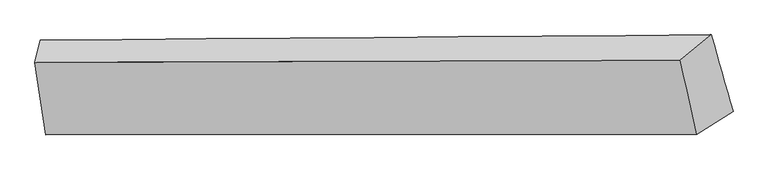
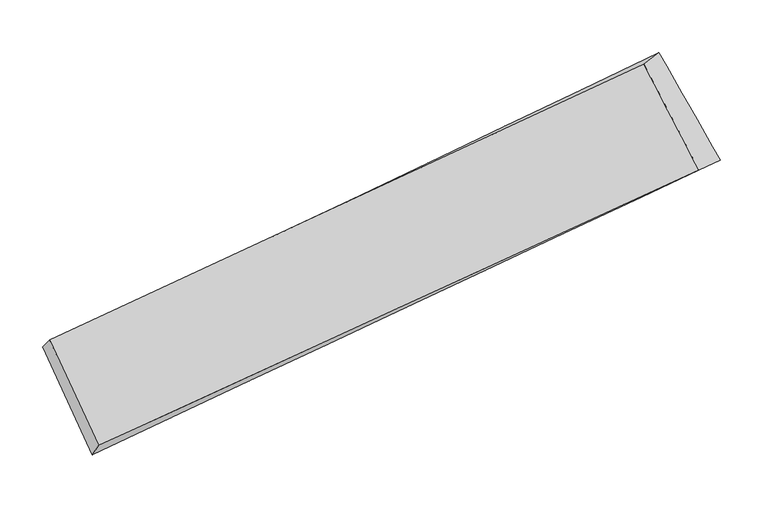
"""IFC4 building model written with IfcOpenShell, lengths in millimetres: proxy geometry."""

from ifc_helpers import new_model, si_unit, frame, origin, place, context, project, spatial, source, transform, mapped, element, save
from ifc_brep_helpers import plane_surface, spline_surface, advanced_brep


def generic_models_086d7910(model_context):
    return source(origin(), model_context, "Body", "AdvancedBrep", [
        advanced_brep(
        [(-3533.0317421, -981.7008996, 1430.6701646), (-3510.6686665, -1131.1981434, 1264.9993073), (-3521.4803756, -1173.0630091, 1315.4396531), (-3543.3941086, -1026.569623, 1477.7816752), (-2139.2212077, -1125.8739073, 1460.9213485), (-2212.039597, -1171.7647656, 1491.0229742), (-2183.0021939, -970.9622306, 1629.7387144), (-2245.3162167, -1021.9108121, 1655.6450333)],
        [
            (0, 1),
            (1, 2),
            (2, 3),
            (3, 0),
            (1, 4),
            (4, 5),
            (5, 2),
            (4, 6),
            (6, 7),
            (7, 5),
            (6, 0),
            (3, 7),
        ],
        [
            plane_surface(frame((-3521.8502043, -1056.4495215, 1347.834736), z_axis=(-0.9838075898142469, 0.04506933102079025, -0.1734686762076111), x_axis=(0.09971562795945418, -0.666599344145597, -0.7387165274483248))),
            spline_surface(1, 1, [[(-3510.6686665, -1131.1981434, 1264.9993073), (-3521.4803756, -1173.0630091, 1315.4396531)], [(-2139.2212077, -1125.8739073, 1460.9213485), (-2212.039597, -1171.7647656, 1491.0229742)]], [2, 2], [2, 2], [0.0, 1.0], [0.0, 1.0]),
            spline_surface(1, 1, [[(-2139.2212077, -1125.8739073, 1460.9213485), (-2212.039597, -1171.7647656, 1491.0229742)], [(-2183.0021939, -970.9622306, 1629.7387144), (-2245.3162167, -1021.9108121, 1655.6450333)]], [2, 2], [2, 2], [0.0, 1.0], [0.0, 1.0]),
            spline_surface(1, 1, [[(-2183.0021939, -970.9622306, 1629.7387144), (-2245.3162167, -1021.9108121, 1655.6450333)], [(-3533.0317421, -981.7008996, 1430.6701646), (-3543.3941086, -1026.569623, 1477.7816752)]], [2, 2], [2, 2], [0.0, 1.0], [0.0, 1.0]),
            plane_surface(frame((-2880.5575745, -1098.3270525, 1484.972334), z_axis=(-0.08786566838371243, -0.7454155544236216, 0.6607838342020848), x_axis=(0.09971562795945418, -0.666599344145597, -0.7387165274483248))),
            plane_surface(frame((-2841.4809526, -1052.4337952, 1446.5823837), z_axis=(0.0914353090438373, 0.7454142579820651, -0.6603008164898069), x_axis=(0.9892720188117661, 0.007869060928073709, 0.1458730635731045))),
        ],
        [
            (0, [[1, 2, 3, 4]]),
            (1, [[5, 6, 7, -2]]),
            (2, [[8, 9, 10, -6]]),
            (3, [[11, -4, 12, -9]]),
            (4, [[-3, -7, -10, -12]]),
            (5, [[-11, -8, -5, -1]]),
        ],
    ),
    ])


if __name__ == "__main__":
    model = new_model("IFC4")
    model_context = context("Model", 3, world=origin())
    ifc_project = project(units=[si_unit("LENGTHUNIT", "METRE", prefix="MILLI")], contexts=[model_context])
    site = spatial("IfcSite", under=ifc_project)
    building = spatial("IfcBuilding", under=site)
    placement = place(None, origin())
    generic_models_shape = generic_models_086d7910(model_context)
    element("IfcBuildingElementProxy", 1, Name="Generic Models", at=placement, inside=building, context=model_context, shape_type="MappedRepresentation", body=[
        mapped(generic_models_shape, transform((0.0, 0.0, 0.0), x_axis=(1.0, 0.0, 0.0), y_axis=(0.0, 1.0, 0.0), z_axis=(0.0, 0.0, 1.0))),
    ])
    save(model, "model.ifc")
